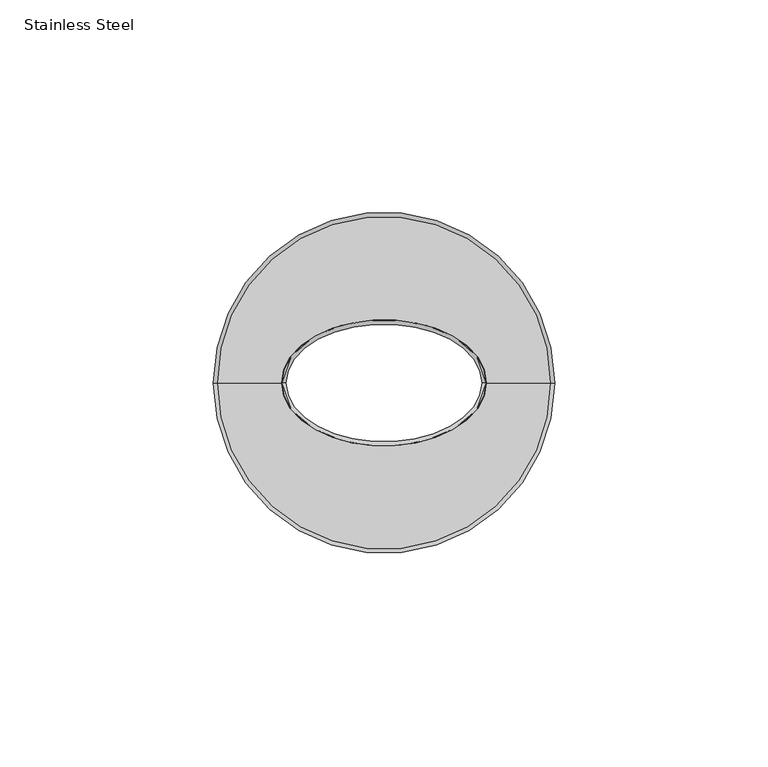
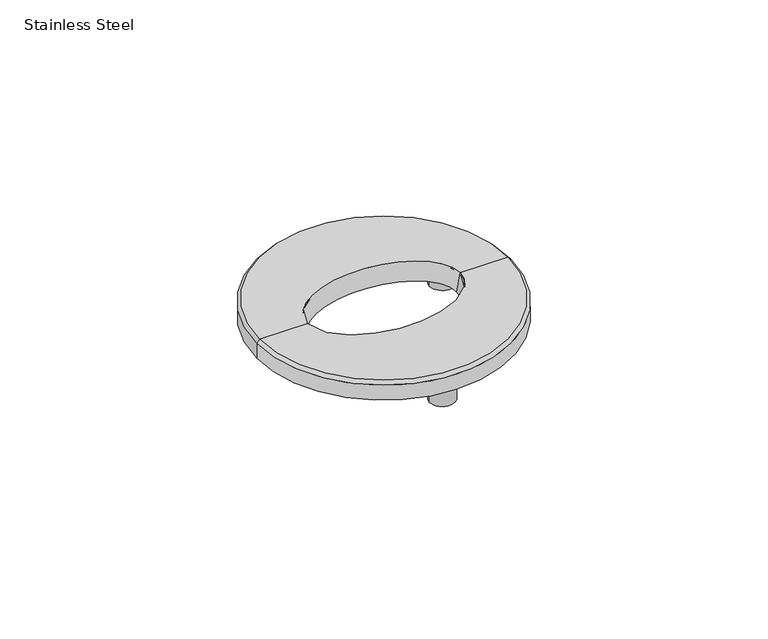
"""IFC4 building model written with IfcOpenShell, lengths in millimetres: proxy geometry, Stainless Steel."""

import ifcopenshell
import ifcopenshell.guid

model = None  # the IFC model being written
_history = None  # IfcOwnerHistory: only IFC2X3 demands one
_inside = {}  # id of a spatial element -> (the spatial element, [elements in it])
_under = {}  # id of a project, library or spatial element -> (it, [spatial elements below it])
_declared = {}  # id of a project -> (the project, [libraries it declares])
_typed = {}  # id of a type object -> (the type object, [elements of that type])
_made_of = {}  # id of a material, layer set ... -> (it, [elements and type objects made of it])


def new_model(schema):
    """Start an empty IFC model of exactly this schema.

    Asked for "IFC4X3", IfcOpenShell would pick the latest addendum, in which some entities
    have other attributes; the version numbers below select the first issue.
    IFC2X3 requires an IfcOwnerHistory on every rooted entity: one is made here for all.
    """
    global model, _history
    if schema == "IFC4X3":
        model = ifcopenshell.file(schema_version=(4, 3, 0, 0))
    else:
        model = ifcopenshell.file(schema=schema)
    _inside.clear()
    _under.clear()
    _declared.clear()
    _typed.clear()
    _made_of.clear()
    _history = None
    if model.schema == "IFC2X3":
        org = make("IfcOrganization", Name="unknown")
        user = make(
            "IfcPersonAndOrganization",
            ThePerson=make("IfcPerson", FamilyName="unknown"),
            TheOrganization=org,
        )
        app = make(
            "IfcApplication",
            ApplicationDeveloper=org,
            Version="unknown",
            ApplicationFullName="unknown",
            ApplicationIdentifier="unknown",
        )
        _history = make(
            "IfcOwnerHistory",
            OwningUser=user,
            OwningApplication=app,
            ChangeAction="ADDED",
            CreationDate=0,
        )
    return model


def make(cls, **values):
    """One entity of the class cls with the attributes given. An attribute that is None is left unset."""
    return model.create_entity(
        cls, **{name: value for name, value in values.items() if value is not None}
    )


def rooted(cls, **values):
    """An entity with a GlobalId (a new one), such as an element, a storey or a relation."""
    return make(cls, GlobalId=ifcopenshell.guid.new(), OwnerHistory=_history, **values)


def si_unit(unit_type, name, prefix=None):
    """IfcSIUnit, for example si_unit("LENGTHUNIT", "METRE", prefix="MILLI")."""
    return make("IfcSIUnit", UnitType=unit_type, Prefix=prefix, Name=name)


def assignment(units):
    """IfcUnitAssignment: the units of a project."""
    return None if units is None else make("IfcUnitAssignment", Units=units)


def point(xyz):
    """IfcCartesianPoint."""
    return None if xyz is None else make("IfcCartesianPoint", Coordinates=xyz)


def direction(xyz):
    """IfcDirection."""
    return None if xyz is None else make("IfcDirection", DirectionRatios=xyz)


def frame(location, z_axis=None, x_axis=None):
    """IfcAxis2Placement3D, a coordinate frame: its origin and axes. An axis left out is left unset."""
    return make(
        "IfcAxis2Placement3D",
        Location=point(location),
        Axis=direction(z_axis),
        RefDirection=direction(x_axis),
    )


def frame_2d(location, x_axis=None):
    """IfcAxis2Placement2D, a coordinate frame in the plane: its origin and x axis."""
    return make(
        "IfcAxis2Placement2D", Location=point(location), RefDirection=direction(x_axis)
    )


def origin():
    """The frame at (0, 0, 0) with its axes left unset."""
    return frame((0.0, 0.0, 0.0))


def place(relative_to, where):
    """IfcLocalPlacement: puts the frame where relative to a parent placement (None: the world)."""
    return make(
        "IfcLocalPlacement", PlacementRelTo=relative_to, RelativePlacement=where
    )


def context(
    kind, dimensions, precision=None, world=None, true_north=None, identifier=None
):
    """IfcGeometricRepresentationContext, for example the 3D "Model" context."""
    return make(
        "IfcGeometricRepresentationContext",
        ContextIdentifier=identifier,
        ContextType=kind,
        CoordinateSpaceDimension=dimensions,
        Precision=precision,
        WorldCoordinateSystem=world,
        TrueNorth=true_north,
    )


def project(units=None, contexts=None):
    """IfcProject with its units and contexts."""
    return rooted(
        "IfcProject",
        Name="project",
        RepresentationContexts=contexts,
        UnitsInContext=assignment(units),
    )


def spatial(cls, under=None, at=None, **own):
    """A site, building, storey or space (cls), placed at a placement, below another one or the project."""
    s = rooted(cls, ObjectPlacement=at, **own)
    if under is not None:
        _under.setdefault(under.id(), (under, []))[1].append(s)
    return s


def polyline(points):
    """IfcPolyline through the points."""
    return make("IfcPolyline", Points=[point(p) for p in points])


def circle_curve(where, radius):
    """IfcCircle in the frame where."""
    return make("IfcCircle", Position=where, Radius=radius)


def ellipse_curve(where, semi_axis1, semi_axis2):
    """IfcEllipse in the frame where."""
    return make(
        "IfcEllipse", Position=where, SemiAxis1=semi_axis1, SemiAxis2=semi_axis2
    )


def trimmed(basis, trim1, trim2, sense, master):
    """IfcTrimmedCurve: the piece of a basis curve between two trims."""
    return make(
        "IfcTrimmedCurve",
        BasisCurve=basis,
        Trim1=trim1,
        Trim2=trim2,
        SenseAgreement=sense,
        MasterRepresentation=master,
    )


def segment(curve, same_sense, transition):
    """IfcCompositeCurveSegment."""
    return make(
        "IfcCompositeCurveSegment",
        Transition=transition,
        SameSense=same_sense,
        ParentCurve=curve,
    )


def composite_curve(segments, self_intersect=None):
    """IfcCompositeCurve: segments joined end to end."""
    return make("IfcCompositeCurve", Segments=segments, SelfIntersect=self_intersect)


def outline(outer, holes=None, kind="AREA"):
    """IfcArbitraryClosedProfileDef: a profile drawn as a closed curve; with holes, ...WithVoids."""
    if holes is None:
        return make("IfcArbitraryClosedProfileDef", ProfileType=kind, OuterCurve=outer)
    return make(
        "IfcArbitraryProfileDefWithVoids",
        ProfileType=kind,
        OuterCurve=outer,
        InnerCurves=holes,
    )


def extrude(swept, where, along, depth):
    """IfcExtrudedAreaSolid: the profile swept, set in the frame where, extruded along a direction by depth."""
    return make(
        "IfcExtrudedAreaSolid",
        SweptArea=swept,
        Position=where,
        ExtrudedDirection=direction(along),
        Depth=depth,
    )


def shape(context_of_items, identifier, shape_type, items):
    """IfcShapeRepresentation: the items that make up one representation, for example the "Body"."""
    return make(
        "IfcShapeRepresentation",
        ContextOfItems=context_of_items,
        RepresentationIdentifier=identifier,
        RepresentationType=shape_type,
        Items=items,
    )


def source(mapping_origin, context_of_items, identifier, shape_type, items):
    """IfcRepresentationMap: a shape defined once, which mapped items show again and again."""
    return make(
        "IfcRepresentationMap",
        MappingOrigin=mapping_origin,
        MappedRepresentation=shape(context_of_items, identifier, shape_type, items),
    )


def transform(
    local_origin,
    x_axis=None,
    y_axis=None,
    z_axis=None,
    scale=None,
    scale2=None,
    scale3=None,
    uniform=True,
):
    """IfcCartesianTransformationOperator3D, or its non-uniform kind. x_axis, y_axis, z_axis: its Axis1, 2, 3."""
    if uniform:
        return make(
            "IfcCartesianTransformationOperator3D",
            Axis1=direction(x_axis),
            Axis2=direction(y_axis),
            LocalOrigin=point(local_origin),
            Scale=scale,
            Axis3=direction(z_axis),
        )
    return make(
        "IfcCartesianTransformationOperator3DnonUniform",
        Axis1=direction(x_axis),
        Axis2=direction(y_axis),
        LocalOrigin=point(local_origin),
        Scale=scale,
        Axis3=direction(z_axis),
        Scale2=scale2,
        Scale3=scale3,
    )


def mapped(mapping_source, mapping_target):
    """IfcMappedItem: shows the shape of a source again, moved by a transform."""
    return make(
        "IfcMappedItem", MappingSource=mapping_source, MappingTarget=mapping_target
    )


def made_of(thing, what):
    """Note that an element or type object is made of a material, layer set ...; save() writes the relation."""
    if what is not None:
        _made_of.setdefault(what.id(), (what, []))[1].append(thing)
    return thing


def element(
    cls,
    number,
    at=None,
    inside=None,
    cuts=None,
    type_object=None,
    material=None,
    context=None,
    identifier="Body",
    shape_type=None,
    held_by="IfcProductDefinitionShape",
    body=None,
    shapes=None,
    **own,
):
    """One element of the class cls, such as IfcWall. Its Tag is "e" and its number.

    at: its placement. inside: the storey or other place that contains it. cuts: it is an
    opening in that element (IfcRelVoidsElement). A single representation is given by context,
    identifier, shape_type and body (its items); several are given by shapes. held_by: the class
    of the entity that holds the representations. save() writes the other relations.
    """
    e = rooted(cls, Tag="e%d" % number, ObjectPlacement=at, **own)
    if body is not None:
        shapes = [shape(context, identifier, shape_type, body)]
    if shapes is not None:
        e.Representation = make(held_by, Representations=shapes)
    if inside is not None:
        _inside.setdefault(inside.id(), (inside, []))[1].append(e)
    if cuts is not None:
        rooted(
            "IfcRelVoidsElement", RelatingBuildingElement=cuts, RelatedOpeningElement=e
        )
    if type_object is not None:
        _typed.setdefault(type_object.id(), (type_object, []))[1].append(e)
    return made_of(e, material)


def aggregate(whole, parts):
    """IfcRelAggregates: a whole, such as a stair, and the parts it consists of."""
    return rooted("IfcRelAggregates", RelatingObject=whole, RelatedObjects=parts)


def save(model, path):
    """Write the relations noted so far, then the file.

    IfcRelAggregates (storeys below a building ...), IfcRelContainedInSpatialStructure (elements
    in a storey), IfcRelDefinesByType, IfcRelAssociatesMaterial and IfcRelDeclares: one each for
    every whole, place, type object, material and project.
    """
    for whole, parts in _under.values():
        aggregate(whole, parts)
    for where, things in _inside.values():
        rooted(
            "IfcRelContainedInSpatialStructure",
            RelatedElements=things,
            RelatingStructure=where,
        )
    for kind, things in _typed.values():
        rooted("IfcRelDefinesByType", RelatedObjects=things, RelatingType=kind)
    for what, things in _made_of.values():
        rooted("IfcRelAssociatesMaterial", RelatedObjects=things, RelatingMaterial=what)
    for by, libraries in _declared.values():
        rooted("IfcRelDeclares", RelatingContext=by, RelatedDefinitions=libraries)
    model.write(path)


def plane_surface(at):
    """IfcPlane: the flat surface through the origin of the frame at, square to its z axis."""
    return make("IfcPlane", Position=at)


def cylinder_surface(at, radius):
    """IfcCylindricalSurface: all points at the distance radius from the z axis of the frame at."""
    return make("IfcCylindricalSurface", Position=at, Radius=radius)


def revolved_surface(curve, axis_point, axis_direction):
    """IfcSurfaceOfRevolution: the curve turned about the line through axis_point along axis_direction."""
    return make(
        "IfcSurfaceOfRevolution",
        SweptCurve=make("IfcArbitraryOpenProfileDef", ProfileType="CURVE", Curve=curve),
        AxisPosition=make("IfcAxis1Placement", Location=point(axis_point), Axis=direction(axis_direction)),
    )


def spline_surface(u_degree, v_degree, points, u_multiplicities, v_multiplicities, u_knots, v_knots, weights=None):
    """IfcBSplineSurfaceWithKnots; with weights, IfcRationalBSplineSurfaceWithKnots. points: one row for each step in u."""
    own = dict(
        UDegree=u_degree,
        VDegree=v_degree,
        ControlPointsList=[[point(p) for p in row] for row in points],
        SurfaceForm="UNSPECIFIED",
        UClosed=False,
        VClosed=False,
        SelfIntersect=False,
        UMultiplicities=u_multiplicities,
        VMultiplicities=v_multiplicities,
        UKnots=u_knots,
        VKnots=v_knots,
        KnotSpec="UNSPECIFIED",
    )
    if weights is None:
        return make("IfcBSplineSurfaceWithKnots", **own)
    return make("IfcRationalBSplineSurfaceWithKnots", WeightsData=weights, **own)


def advanced_brep(points, edges, surfaces, faces):
    """IfcAdvancedBrep: a solid bounded by faces that lie on surfaces and meet in shared edges.

    An edge is (start, end): straight between two places in points (the first is 0);
    or (start, end, curve); or (start, end, curve, False) where it runs against its curve.
    A face is (place in surfaces, loops), or (place, loops, False) where it looks against
    its surface's normal. A loop lists edges by number (the first is 1), with a minus sign
    where the edge is run from its end to its start. The first loop is the outer one.
    """
    corners = [point(p) for p in points]
    vertices = [make("IfcVertexPoint", VertexGeometry=c) for c in corners]
    made = []
    for start, end, *more in edges:
        made.append(
            make(
                "IfcEdgeCurve",
                EdgeStart=vertices[start],
                EdgeEnd=vertices[end],
                EdgeGeometry=more[0] if more else make("IfcPolyline", Points=[corners[start], corners[end]]),
                SameSense=more[1] if len(more) > 1 else True,
            )
        )
    hull = []
    for where, loops, *sense in faces:
        bounds = []
        for j, loop in enumerate(loops):
            ring = [make("IfcOrientedEdge", EdgeElement=made[abs(k) - 1], Orientation=k > 0) for k in loop]
            bounds.append(
                make(
                    "IfcFaceOuterBound" if j == 0 else "IfcFaceBound",
                    Bound=make("IfcEdgeLoop", EdgeList=ring),
                    Orientation=True,
                )
            )
        hull.append(make("IfcAdvancedFace", Bounds=bounds, FaceSurface=surfaces[where], SameSense=sense[0] if sense else True))
    return make("IfcAdvancedBrep", Outer=make("IfcClosedShell", CfsFaces=hull))


def stainless_steel_c9c59159(model_context):
    return source(origin(), model_context, "Body", "SolidModel", [
        advanced_brep(
        [(-23.0, 0.0, 0.0), (-24.0, 0.0, 6.0), (24.0, 0.0, 6.0), (23.0, 0.0, 0.0), (39.0, 0.0, 6.0), (-39.0, 0.0, 6.0), (40.0, 0.0, 5.0), (-40.0, 0.0, 5.0), (40.0, 0.0, 0.0), (-40.0, 0.0, 0.0)],
        [
            (0, 1),
            (1, 2, ellipse_curve(frame((0.0, 0.0, 6.0), z_axis=(0.0, 0.0, 1.0), x_axis=(1.0, 0.0, 0.0)), 24.0, 14.8)),
            (2, 3),
            (3, 0, ellipse_curve(frame((0.0, 0.0, 0.0), z_axis=(0.0, 0.0, -1.0), x_axis=(1.0, 0.0, 0.0)), 23.0, 13.8)),
            (0, 3, ellipse_curve(frame((0.0, 0.0, 0.0), z_axis=(0.0, 0.0, -1.0), x_axis=(1.0, 0.0, 0.0)), 23.0, 13.8)),
            (2, 1, ellipse_curve(frame((0.0, 0.0, 6.0), z_axis=(0.0, 0.0, 1.0), x_axis=(1.0, 0.0, 0.0)), 24.0, 14.8)),
            (4, 5, circle_curve(frame((0.0, 0.0, 6.0), z_axis=(0.0, 0.0, 1.0), x_axis=(-1.0, 0.0, 0.0)), 39.0)),
            (5, 1),
            (2, 4),
            (5, 4, circle_curve(frame((0.0, 0.0, 6.0), z_axis=(0.0, 0.0, 1.0), x_axis=(-1.0, 0.0, 0.0)), 39.0)),
            (4, 6),
            (6, 7, circle_curve(frame((0.0, 0.0, 5.0), z_axis=(0.0, 0.0, 1.0), x_axis=(-1.0, 0.0, 0.0)), 40.0)),
            (7, 5),
            (7, 6, circle_curve(frame((0.0, 0.0, 5.0), z_axis=(0.0, 0.0, 1.0), x_axis=(-1.0, 0.0, 0.0)), 40.0)),
            (6, 8),
            (8, 9, circle_curve(frame((0.0, 0.0, 0.0), z_axis=(0.0, 0.0, 1.0), x_axis=(-1.0, 0.0, 0.0)), 40.0)),
            (9, 7),
            (9, 8, circle_curve(frame((0.0, 0.0, 0.0), z_axis=(0.0, 0.0, 1.0), x_axis=(-1.0, 0.0, 0.0)), 40.0)),
            (8, 3),
            (0, 9),
        ],
        [
            spline_surface(1, 2, [[(-23.0, 0.0, 0.0), (-23.0, -13.8, 0.0), (0.0, -13.8, 0.0), (23.0, -13.8, 0.0), (23.0, 0.0, 0.0)], [(-24.0, 0.0, 6.0), (-24.0, -14.8, 6.0), (0.0, -14.8, 6.0), (24.0, -14.8, 6.0), (24.0, 0.0, 6.0)]], [2, 2], [3, 2, 3], [0.0, 1.0], [0.0, 1.0, 2.0], weights=[[1.0, 0.7071067811865476, 1.0, 0.7071067811865476, 1.0], [1.0, 0.7071067811865476, 1.0, 0.7071067811865476, 1.0]]),
            spline_surface(1, 2, [[(23.0, 0.0, 0.0), (23.0, 13.8, 0.0), (0.0, 13.8, 0.0), (-23.0, 13.8, 0.0), (-23.0, 0.0, 0.0)], [(24.0, 0.0, 6.0), (24.0, 14.8, 6.0), (0.0, 14.8, 6.0), (-24.0, 14.8, 6.0), (-24.0, 0.0, 6.0)]], [2, 2], [3, 2, 3], [0.0, 1.0], [0.0, 1.0, 2.0], weights=[[1.0, 0.7071067811865476, 1.0, 0.7071067811865476, 1.0], [1.0, 0.7071067811865476, 1.0, 0.7071067811865476, 1.0]]),
            plane_surface(frame((0.0, 0.0, 6.0), z_axis=(0.0, 0.0, 1.0), x_axis=(-1.0, 0.0, 0.0))),
            revolved_surface(polyline([(-39.0, 0.0, 6.0), (-40.0, 0.0, 5.0)]), (0.0, 0.0, 7.6550968), (0.0, 0.0, -1.0)),
            cylinder_surface(frame((0.0, 0.0, 7.6550968), z_axis=(0.0, 0.0, -1.0), x_axis=(-1.0, 0.0, 0.0)), 40.0),
            plane_surface(frame((0.0, 0.0, 0.0), z_axis=(0.0, 0.0, -1.0), x_axis=(-1.0, 0.0, 0.0))),
        ],
        [
            (0, [[1, 2, 3, 4]]),
            (1, [[-1, 5, -3, 6]]),
            (2, [[7, 8, -6, 9]]),
            (2, [[10, -9, -2, -8]]),
            (3, [[-7, 11, 12, 13]]),
            (3, [[-10, -13, 14, -11]]),
            (4, [[-12, 15, 16, 17]]),
            (4, [[-14, -17, 18, -15]]),
            (5, [[-16, 19, -5, 20]]),
            (5, [[-18, -20, -4, -19]]),
        ],
    ),
        extrude(outline(composite_curve([segment(trimmed(circle_curve(frame_2d((-27.5396078, 15.9)), 4.0), [point((-31.5396078, 15.9))], [point((-23.5396078, 15.9))], False, "CARTESIAN"), True, "CONTINUOUS"), segment(trimmed(circle_curve(frame_2d((-27.5396078, 15.9)), 4.0), [point((-23.5396078, 15.9))], [point((-31.5396078, 15.9))], False, "CARTESIAN"), True, "CONTINUOUS")], self_intersect=False)), frame((0.0, 0.0, -8.0), z_axis=(0.0, 0.0, 1.0), x_axis=(1.0, 0.0, 0.0)), (0.0, 0.0, 1.0), 8.0),
        extrude(outline(composite_curve([segment(trimmed(circle_curve(frame_2d((27.5396078, 15.9)), 4.0), [point((23.5396078, 15.9))], [point((31.5396078, 15.9))], False, "CARTESIAN"), True, "CONTINUOUS"), segment(trimmed(circle_curve(frame_2d((27.5396078, 15.9)), 4.0), [point((31.5396078, 15.9))], [point((23.5396078, 15.9))], False, "CARTESIAN"), True, "CONTINUOUS")], self_intersect=False)), frame((0.0, 0.0, -8.0), z_axis=(0.0, 0.0, 1.0), x_axis=(1.0, 0.0, 0.0)), (0.0, 0.0, 1.0), 8.0),
        extrude(outline(composite_curve([segment(trimmed(circle_curve(frame_2d((0.0, -31.8)), 4.0), [point((-4.0, -31.8))], [point((4.0, -31.8))], False, "CARTESIAN"), True, "CONTINUOUS"), segment(trimmed(circle_curve(frame_2d((0.0, -31.8)), 4.0), [point((4.0, -31.8))], [point((-4.0, -31.8))], False, "CARTESIAN"), True, "CONTINUOUS")], self_intersect=False)), frame((0.0, 0.0, -8.0), z_axis=(0.0, 0.0, 1.0), x_axis=(1.0, 0.0, 0.0)), (0.0, 0.0, 1.0), 8.0),
    ])


if __name__ == "__main__":
    model = new_model("IFC4")
    model_context = context("Model", 3, world=origin())
    ifc_project = project(units=[si_unit("LENGTHUNIT", "METRE", prefix="MILLI")], contexts=[model_context])
    site = spatial("IfcSite", under=ifc_project)
    building = spatial("IfcBuilding", under=site)
    placement = place(None, origin())
    stainless_steel_shape = stainless_steel_c9c59159(model_context)
    element("IfcBuildingElementProxy", 1, Name="Stainless Steel", ObjectType="Stainless Steel", at=placement, inside=building, context=model_context, shape_type="MappedRepresentation", body=[
        mapped(stainless_steel_shape, transform((0.0, 0.0, 0.0), x_axis=(1.0, 0.0, 0.0), y_axis=(0.0, 1.0, 0.0), z_axis=(0.0, 0.0, 1.0))),
    ])
    save(model, "model.ifc")
